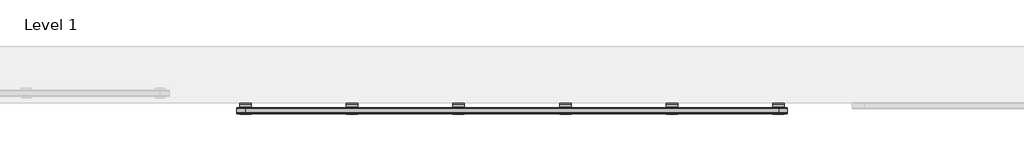
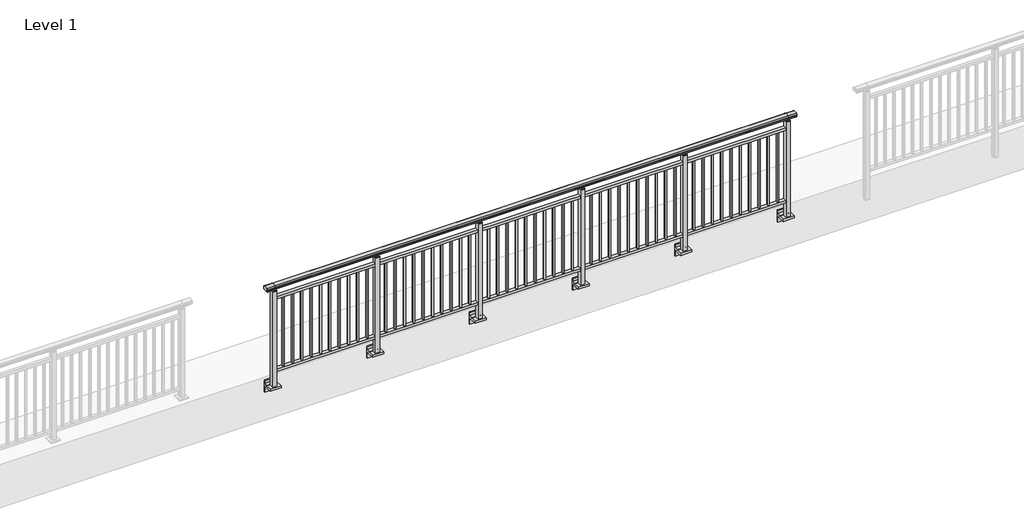
# One storey, part 2 of 64: 1 railing.
"""IFC4 building model written with IfcOpenShell, lengths in millimetres."""

from ifc_helpers import new_model, si_unit, point, frame, frame_2d, origin, place, context, project, spatial, polyline, circle_curve, trimmed, segment, composite_curve, outline, extrude, element, save
from ifc_brep_helpers import plane_surface, cylinder_surface, revolved_surface, advanced_brep

model = new_model("IFC4")

# Units and contexts
model_context = context("Model", 3, world=origin())
ifc_project = project(units=[si_unit("LENGTHUNIT", "METRE", prefix="MILLI")], contexts=[model_context])

# Site, building, storey
site = spatial("IfcSite", under=ifc_project)
building = spatial("IfcBuilding", under=site)
storey = spatial("IfcBuildingStorey", under=building, Name="Level 1", Elevation=0.0)

# Railing
placement = place(None, origin())
element("IfcRailing", 1, at=placement, inside=storey, context=model_context, shape_type="SolidModel", body=[
    advanced_brep(
    [(12910.0, -157.1366244, 1095.6691182), (12910.0, -152.3153172, 1081.1334092), (12910.0, -153.2586256, 1069.2539035), (12910.0, -151.3635823, 1061.4863007), (12910.0, -153.0105201, 1060.384124), (12910.0, -153.0105201, 1062.0), (12910.0, -211.6201142, 1062.0), (12910.0, -211.6201142, 1060.384124), (12910.0, -213.267052, 1061.4863007), (12910.0, -211.3720088, 1069.2539035), (12910.0, -212.3153172, 1081.1334092), (12910.0, -207.49401, 1095.6691182), (18690.0, -157.1366244, 1095.6691182), (18690.0, -207.49401, 1095.6691182), (18690.0, -212.3153172, 1081.1334092), (18690.0, -211.3720088, 1069.2539035), (18690.0, -213.267052, 1061.4863007), (18690.0, -211.6201142, 1060.384124), (18690.0, -211.6201142, 1062.0), (18690.0, -153.0105201, 1062.0), (18690.0, -153.0105201, 1060.384124), (18690.0, -151.3635823, 1061.4863007), (18690.0, -153.2586256, 1069.2539035), (18690.0, -152.3153172, 1081.1334092), (13000.0, -157.1366244, 1095.6691182), (13000.0, -152.3153172, 1081.1334092), (13000.0, -153.2586256, 1069.2539035), (13000.0, -151.3635823, 1061.4863007), (13000.0, -153.0105201, 1060.384124), (13000.0, -153.0105201, 1062.0), (13000.0, -211.6201142, 1062.0), (13000.0, -211.6201142, 1060.384124), (13000.0, -213.267052, 1061.4863007), (13000.0, -211.3720088, 1069.2539035), (13000.0, -212.3153172, 1081.1334092), (13000.0, -207.49401, 1095.6691182), (18600.0, -157.1366244, 1095.6691182), (18600.0, -152.3153172, 1081.1334092), (18600.0, -153.2586256, 1069.2539035), (18600.0, -151.3635823, 1061.4863007), (18600.0, -153.0105201, 1060.384124), (18600.0, -153.0105201, 1062.0), (18600.0, -211.6201142, 1062.0), (18600.0, -211.6201142, 1060.384124), (18600.0, -213.267052, 1061.4863007), (18600.0, -211.3720088, 1069.2539035), (18600.0, -212.3153172, 1081.1334092), (18600.0, -207.49401, 1095.6691182)],
    [
        (0, 1, circle_curve(frame((12910.0, -160.3776155, 1086.526686), z_axis=(-1.0, 0.0, 0.0), x_axis=(0.0, -1.0, 0.0)), 9.6999015)),
        (1, 2, circle_curve(frame((12910.0, -134.7747455, 1073.7633709), z_axis=(1.0, 0.0, 0.0), x_axis=(0.0, -1.0, 0.0)), 19.0260117)),
        (2, 3),
        (3, 4, circle_curve(frame((12910.0, -152.2227927, 1060.9886194), z_axis=(-1.0, 0.0, 0.0), x_axis=(0.0, -1.0, 0.0)), 0.9929396)),
        (4, 5),
        (5, 6),
        (6, 7),
        (7, 8, circle_curve(frame((12910.0, -212.4078416, 1060.9886194), z_axis=(-1.0, 0.0, 0.0), x_axis=(0.0, 1.0, 0.0)), 0.9929396)),
        (8, 9),
        (9, 10, circle_curve(frame((12910.0, -229.8558889, 1073.7633709), z_axis=(1.0, 0.0, 0.0), x_axis=(0.0, 1.0, 0.0)), 19.0260117)),
        (10, 11, circle_curve(frame((12910.0, -204.2530188, 1086.526686), z_axis=(-1.0, 0.0, 0.0), x_axis=(0.0, 1.0, 0.0)), 9.6999015)),
        (11, 0, circle_curve(frame((12910.0, -182.3153172, 1024.6431628), z_axis=(-1.0, 0.0, 0.0), x_axis=(0.0, 1.0, 0.0)), 75.3568372)),
        (12, 13, circle_curve(frame((18690.0, -182.3153172, 1024.6431628), z_axis=(1.0, 0.0, 0.0), x_axis=(0.0, 1.0, 0.0)), 75.3568372)),
        (13, 14, circle_curve(frame((18690.0, -204.2530188, 1086.526686), z_axis=(1.0, 0.0, 0.0), x_axis=(0.0, 1.0, 0.0)), 9.6999015)),
        (14, 15, circle_curve(frame((18690.0, -229.8558889, 1073.7633709), z_axis=(-1.0, 0.0, 0.0), x_axis=(0.0, 1.0, 0.0)), 19.0260117)),
        (15, 16),
        (16, 17, circle_curve(frame((18690.0, -212.4078416, 1060.9886194), z_axis=(1.0, 0.0, 0.0), x_axis=(0.0, 1.0, 0.0)), 0.9929396)),
        (17, 18),
        (18, 19),
        (19, 20),
        (20, 21, circle_curve(frame((18690.0, -152.2227927, 1060.9886194), z_axis=(1.0, 0.0, 0.0), x_axis=(0.0, -1.0, 0.0)), 0.9929396)),
        (21, 22),
        (22, 23, circle_curve(frame((18690.0, -134.7747455, 1073.7633709), z_axis=(-1.0, 0.0, 0.0), x_axis=(0.0, -1.0, 0.0)), 19.0260117)),
        (23, 12, circle_curve(frame((18690.0, -160.3776155, 1086.526686), z_axis=(1.0, 0.0, 0.0), x_axis=(0.0, -1.0, 0.0)), 9.6999015)),
        (0, 24),
        (24, 25, circle_curve(frame((13000.0, -160.3776155, 1086.526686), z_axis=(-1.0, 0.0, 0.0), x_axis=(0.0, -1.0, 0.0)), 9.6999015)),
        (25, 1),
        (25, 26, circle_curve(frame((13000.0, -134.7747455, 1073.7633709), z_axis=(1.0, 0.0, 0.0), x_axis=(0.0, -1.0, 0.0)), 19.0260117)),
        (26, 2),
        (26, 27),
        (27, 3),
        (27, 28, circle_curve(frame((13000.0, -152.2227927, 1060.9886194), z_axis=(-1.0, 0.0, 0.0), x_axis=(0.0, -1.0, 0.0)), 0.9929396)),
        (28, 4),
        (28, 29),
        (29, 5),
        (29, 30),
        (30, 6),
        (30, 31),
        (31, 7),
        (31, 32, circle_curve(frame((13000.0, -212.4078416, 1060.9886194), z_axis=(-1.0, 0.0, 0.0), x_axis=(0.0, 1.0, 0.0)), 0.9929396)),
        (32, 8),
        (32, 33),
        (33, 9),
        (33, 34, circle_curve(frame((13000.0, -229.8558889, 1073.7633709), z_axis=(1.0, 0.0, 0.0), x_axis=(0.0, 1.0, 0.0)), 19.0260117)),
        (34, 10),
        (34, 35, circle_curve(frame((13000.0, -204.2530188, 1086.526686), z_axis=(-1.0, 0.0, 0.0), x_axis=(0.0, 1.0, 0.0)), 9.6999015)),
        (35, 11),
        (35, 24, circle_curve(frame((13000.0, -182.3153172, 1024.6431628), z_axis=(-1.0, 0.0, 0.0), x_axis=(0.0, 1.0, 0.0)), 75.3568372)),
        (24, 36),
        (36, 37, circle_curve(frame((18600.0, -160.3776155, 1086.526686), z_axis=(-1.0, 0.0, 0.0), x_axis=(0.0, -1.0, 0.0)), 9.6999015)),
        (37, 25),
        (37, 38, circle_curve(frame((18600.0, -134.7747455, 1073.7633709), z_axis=(1.0, 0.0, 0.0), x_axis=(0.0, -1.0, 0.0)), 19.0260117)),
        (38, 26),
        (38, 39),
        (39, 27),
        (39, 40, circle_curve(frame((18600.0, -152.2227927, 1060.9886194), z_axis=(-1.0, 0.0, 0.0), x_axis=(0.0, -1.0, 0.0)), 0.9929396)),
        (40, 28),
        (40, 41),
        (41, 29),
        (41, 42),
        (42, 30),
        (42, 43),
        (43, 31),
        (43, 44, circle_curve(frame((18600.0, -212.4078416, 1060.9886194), z_axis=(-1.0, 0.0, 0.0), x_axis=(0.0, 1.0, 0.0)), 0.9929396)),
        (44, 32),
        (44, 45),
        (45, 33),
        (45, 46, circle_curve(frame((18600.0, -229.8558889, 1073.7633709), z_axis=(1.0, 0.0, 0.0), x_axis=(0.0, 1.0, 0.0)), 19.0260117)),
        (46, 34),
        (46, 47, circle_curve(frame((18600.0, -204.2530188, 1086.526686), z_axis=(-1.0, 0.0, 0.0), x_axis=(0.0, 1.0, 0.0)), 9.6999015)),
        (47, 35),
        (47, 36, circle_curve(frame((18600.0, -182.3153172, 1024.6431628), z_axis=(-1.0, 0.0, 0.0), x_axis=(0.0, 1.0, 0.0)), 75.3568372)),
        (36, 12),
        (23, 37),
        (22, 38),
        (21, 39),
        (20, 40),
        (19, 41),
        (18, 42),
        (17, 43),
        (16, 44),
        (15, 45),
        (14, 46),
        (13, 47),
    ],
    [
        plane_surface(frame((12910.0, -182.3153172, 1100.0), z_axis=(-1.0, 0.0, 0.0), x_axis=(0.0, 1.0, 0.0))),
        plane_surface(frame((18690.0, -182.3153172, 1100.0), z_axis=(1.0, 0.0, 0.0), x_axis=(0.0, 1.0, 0.0))),
        cylinder_surface(frame((12910.0, -160.3776155, 1086.526686), z_axis=(-1.0, 0.0, 0.0), x_axis=(0.0, -1.0, 0.0)), 9.6999015),
        revolved_surface(polyline([(13000.0, -153.8007572, 1073.7633709), (12910.0, -153.8007572, 1073.7633709)]), (12910.0, -134.7747455, 1073.7633709), (1.0, 0.0, 0.0)),
        plane_surface(frame((12910.0, -153.2586256, 1069.2539035), z_axis=(0.0, 0.9715057689301543, 0.2370159086125439), x_axis=(1.0, 0.0, 0.0))),
        cylinder_surface(frame((12910.0, -152.2227927, 1060.9886194), z_axis=(-1.0, 0.0, 0.0), x_axis=(0.0, -1.0, 0.0)), 0.9929396),
        plane_surface(frame((12910.0, -153.0105201, 1060.384124), z_axis=(0.0, -1.0, 0.0), x_axis=(1.0, 0.0, 0.0))),
        plane_surface(frame((12910.0, -153.0105201, 1062.0), z_axis=(0.0, 0.0, -1.0), x_axis=(1.0, 0.0, 0.0))),
        plane_surface(frame((12910.0, -211.6201142, 1062.0), z_axis=(0.0, 1.0, 0.0), x_axis=(1.0, 0.0, 0.0))),
        cylinder_surface(frame((12910.0, -212.4078416, 1060.9886194), z_axis=(-1.0, 0.0, 0.0), x_axis=(0.0, 1.0, 0.0)), 0.9929396),
        plane_surface(frame((12910.0, -213.267052, 1061.4863007), z_axis=(0.0, -0.9715057689301543, 0.2370159086125439), x_axis=(1.0, 0.0, 0.0))),
        revolved_surface(polyline([(13000.0, -210.8298772, 1073.7633709), (12910.0, -210.8298772, 1073.7633709)]), (12910.0, -229.8558889, 1073.7633709), (1.0, 0.0, 0.0)),
        cylinder_surface(frame((12910.0, -204.2530188, 1086.526686), z_axis=(-1.0, 0.0, 0.0), x_axis=(0.0, 1.0, 0.0)), 9.6999015),
        cylinder_surface(frame((12910.0, -182.3153172, 1024.6431628), z_axis=(-1.0, 0.0, 0.0), x_axis=(0.0, 1.0, 0.0)), 75.3568372),
        cylinder_surface(frame((13000.0, -160.3776155, 1086.526686), z_axis=(-1.0, 0.0, 0.0), x_axis=(0.0, -1.0, 0.0)), 9.6999015),
        revolved_surface(polyline([(18600.0, -153.8007572, 1073.7633709), (13000.0, -153.8007572, 1073.7633709)]), (13000.0, -134.7747455, 1073.7633709), (1.0, 0.0, 0.0)),
        plane_surface(frame((13000.0, -153.2586256, 1069.2539035), z_axis=(0.0, 0.9715057689301543, 0.2370159086125439), x_axis=(1.0, 0.0, 0.0))),
        cylinder_surface(frame((13000.0, -152.2227927, 1060.9886194), z_axis=(-1.0, 0.0, 0.0), x_axis=(0.0, -1.0, 0.0)), 0.9929396),
        plane_surface(frame((13000.0, -153.0105201, 1060.384124), z_axis=(0.0, -1.0, 0.0), x_axis=(1.0, 0.0, 0.0))),
        plane_surface(frame((13000.0, -153.0105201, 1062.0), z_axis=(0.0, 0.0, -1.0), x_axis=(1.0, 0.0, 0.0))),
        plane_surface(frame((13000.0, -211.6201142, 1062.0), z_axis=(0.0, 1.0, 0.0), x_axis=(1.0, 0.0, 0.0))),
        cylinder_surface(frame((13000.0, -212.4078416, 1060.9886194), z_axis=(-1.0, 0.0, 0.0), x_axis=(0.0, 1.0, 0.0)), 0.9929396),
        plane_surface(frame((13000.0, -213.267052, 1061.4863007), z_axis=(0.0, -0.9715057689301543, 0.2370159086125439), x_axis=(1.0, 0.0, 0.0))),
        revolved_surface(polyline([(18600.0, -210.8298772, 1073.7633709), (13000.0, -210.8298772, 1073.7633709)]), (13000.0, -229.8558889, 1073.7633709), (1.0, 0.0, 0.0)),
        cylinder_surface(frame((13000.0, -204.2530188, 1086.526686), z_axis=(-1.0, 0.0, 0.0), x_axis=(0.0, 1.0, 0.0)), 9.6999015),
        cylinder_surface(frame((13000.0, -182.3153172, 1024.6431628), z_axis=(-1.0, 0.0, 0.0), x_axis=(0.0, 1.0, 0.0)), 75.3568372),
        cylinder_surface(frame((18600.0, -160.3776155, 1086.526686), z_axis=(-1.0, 0.0, 0.0), x_axis=(0.0, -1.0, 0.0)), 9.6999015),
        revolved_surface(polyline([(18690.0, -153.8007572, 1073.7633709), (18600.0, -153.8007572, 1073.7633709)]), (18600.0, -134.7747455, 1073.7633709), (1.0, 0.0, 0.0)),
        plane_surface(frame((18600.0, -153.2586256, 1069.2539035), z_axis=(0.0, 0.9715057689301543, 0.2370159086125439), x_axis=(1.0, 0.0, 0.0))),
        cylinder_surface(frame((18600.0, -152.2227927, 1060.9886194), z_axis=(-1.0, 0.0, 0.0), x_axis=(0.0, -1.0, 0.0)), 0.9929396),
        plane_surface(frame((18600.0, -153.0105201, 1060.384124), z_axis=(0.0, -1.0, 0.0), x_axis=(1.0, 0.0, 0.0))),
        plane_surface(frame((18600.0, -153.0105201, 1062.0), z_axis=(0.0, 0.0, -1.0), x_axis=(1.0, 0.0, 0.0))),
        plane_surface(frame((18600.0, -211.6201142, 1062.0), z_axis=(0.0, 1.0, 0.0), x_axis=(1.0, 0.0, 0.0))),
        cylinder_surface(frame((18600.0, -212.4078416, 1060.9886194), z_axis=(-1.0, 0.0, 0.0), x_axis=(0.0, 1.0, 0.0)), 0.9929396),
        plane_surface(frame((18600.0, -213.267052, 1061.4863007), z_axis=(0.0, -0.9715057689301543, 0.2370159086125439), x_axis=(1.0, 0.0, 0.0))),
        revolved_surface(polyline([(18690.0, -210.8298772, 1073.7633709), (18600.0, -210.8298772, 1073.7633709)]), (18600.0, -229.8558889, 1073.7633709), (1.0, 0.0, 0.0)),
        cylinder_surface(frame((18600.0, -204.2530188, 1086.526686), z_axis=(-1.0, 0.0, 0.0), x_axis=(0.0, 1.0, 0.0)), 9.6999015),
        cylinder_surface(frame((18600.0, -182.3153172, 1024.6431628), z_axis=(-1.0, 0.0, 0.0), x_axis=(0.0, 1.0, 0.0)), 75.3568372),
    ],
    [
        (0, [[1, 2, 3, 4, 5, 6, 7, 8, 9, 10, 11, 12]]),
        (1, [[13, 14, 15, 16, 17, 18, 19, 20, 21, 22, 23, 24]]),
        (2, [[-1, 25, 26, 27]]),
        (3, [[-2, -27, 28, 29]]),
        (4, [[-3, -29, 30, 31]]),
        (5, [[-4, -31, 32, 33]]),
        (6, [[-5, -33, 34, 35]]),
        (7, [[-6, -35, 36, 37]]),
        (8, [[-7, -37, 38, 39]]),
        (9, [[-8, -39, 40, 41]]),
        (10, [[-9, -41, 42, 43]]),
        (11, [[-10, -43, 44, 45]]),
        (12, [[-11, -45, 46, 47]]),
        (13, [[-12, -47, 48, -25]]),
        (14, [[-26, 49, 50, 51]]),
        (15, [[-28, -51, 52, 53]]),
        (16, [[-30, -53, 54, 55]]),
        (17, [[-32, -55, 56, 57]]),
        (18, [[-34, -57, 58, 59]]),
        (19, [[-36, -59, 60, 61]]),
        (20, [[-38, -61, 62, 63]]),
        (21, [[-40, -63, 64, 65]]),
        (22, [[-42, -65, 66, 67]]),
        (23, [[-44, -67, 68, 69]]),
        (24, [[-46, -69, 70, 71]]),
        (25, [[-48, -71, 72, -49]]),
        (26, [[-50, 73, -24, 74]]),
        (27, [[-52, -74, -23, 75]]),
        (28, [[-54, -75, -22, 76]]),
        (29, [[-56, -76, -21, 77]]),
        (30, [[-58, -77, -20, 78]]),
        (31, [[-60, -78, -19, 79]]),
        (32, [[-62, -79, -18, 80]]),
        (33, [[-64, -80, -17, 81]]),
        (34, [[-66, -81, -16, 82]]),
        (35, [[-68, -82, -15, 83]]),
        (36, [[-70, -83, -14, 84]]),
        (37, [[-72, -84, -13, -73]]),
    ],
),
    extrude(outline(polyline([(13000.0, -199.8153172), (13000.0, -164.8153172), (18600.0, -164.8153172), (18600.0, -199.8153172), (13000.0, -199.8153172)])), frame((0.0, 0.0, 930.0), z_axis=(0.0, 0.0, 1.0), x_axis=(1.0, 0.0, 0.0)), (0.0, 0.0, 1.0), 30.0),
    extrude(outline(polyline([(13000.0, -199.8153172), (13000.0, -164.8153172), (18600.0, -164.8153172), (18600.0, -199.8153172), (13000.0, -199.8153172)])), frame((0.0, 0.0, 95.0), z_axis=(0.0, 0.0, 1.0), x_axis=(1.0, 0.0, 0.0)), (0.0, 0.0, 1.0), 30.0),
    extrude(outline(polyline([(18506.6818182, -190.8153172), (18489.6818182, -190.8153172), (18489.6818182, -173.8153172), (18506.6818182, -173.8153172), (18506.6818182, -190.8153172)])), frame((0.0, 0.0, 125.0), z_axis=(0.0, 0.0, 1.0), x_axis=(1.0, 0.0, 0.0)), (0.0, 0.0, 1.0), 805.0),
    extrude(outline(polyline([(18404.8636364, -190.8153172), (18387.8636364, -190.8153172), (18387.8636364, -173.8153172), (18404.8636364, -173.8153172), (18404.8636364, -190.8153172)])), frame((0.0, 0.0, 125.0), z_axis=(0.0, 0.0, 1.0), x_axis=(1.0, 0.0, 0.0)), (0.0, 0.0, 1.0), 805.0),
    extrude(outline(polyline([(18303.0454545, -190.8153172), (18286.0454545, -190.8153172), (18286.0454545, -173.8153172), (18303.0454545, -173.8153172), (18303.0454545, -190.8153172)])), frame((0.0, 0.0, 125.0), z_axis=(0.0, 0.0, 1.0), x_axis=(1.0, 0.0, 0.0)), (0.0, 0.0, 1.0), 805.0),
    extrude(outline(polyline([(18201.2272727, -190.8153172), (18184.2272727, -190.8153172), (18184.2272727, -173.8153172), (18201.2272727, -173.8153172), (18201.2272727, -190.8153172)])), frame((0.0, 0.0, 125.0), z_axis=(0.0, 0.0, 1.0), x_axis=(1.0, 0.0, 0.0)), (0.0, 0.0, 1.0), 805.0),
    extrude(outline(polyline([(18099.4090909, -190.8153172), (18082.4090909, -190.8153172), (18082.4090909, -173.8153172), (18099.4090909, -173.8153172), (18099.4090909, -190.8153172)])), frame((0.0, 0.0, 125.0), z_axis=(0.0, 0.0, 1.0), x_axis=(1.0, 0.0, 0.0)), (0.0, 0.0, 1.0), 805.0),
    extrude(outline(polyline([(17997.5909091, -190.8153172), (17980.5909091, -190.8153172), (17980.5909091, -173.8153172), (17997.5909091, -173.8153172), (17997.5909091, -190.8153172)])), frame((0.0, 0.0, 125.0), z_axis=(0.0, 0.0, 1.0), x_axis=(1.0, 0.0, 0.0)), (0.0, 0.0, 1.0), 805.0),
    extrude(outline(polyline([(17895.7727273, -190.8153172), (17878.7727273, -190.8153172), (17878.7727273, -173.8153172), (17895.7727273, -173.8153172), (17895.7727273, -190.8153172)])), frame((0.0, 0.0, 125.0), z_axis=(0.0, 0.0, 1.0), x_axis=(1.0, 0.0, 0.0)), (0.0, 0.0, 1.0), 805.0),
    extrude(outline(polyline([(17793.9545455, -190.8153172), (17776.9545455, -190.8153172), (17776.9545455, -173.8153172), (17793.9545455, -173.8153172), (17793.9545455, -190.8153172)])), frame((0.0, 0.0, 125.0), z_axis=(0.0, 0.0, 1.0), x_axis=(1.0, 0.0, 0.0)), (0.0, 0.0, 1.0), 805.0),
    extrude(outline(polyline([(17692.1363636, -190.8153172), (17675.1363636, -190.8153172), (17675.1363636, -173.8153172), (17692.1363636, -173.8153172), (17692.1363636, -190.8153172)])), frame((0.0, 0.0, 125.0), z_axis=(0.0, 0.0, 1.0), x_axis=(1.0, 0.0, 0.0)), (0.0, 0.0, 1.0), 805.0),
    extrude(outline(polyline([(17590.3181818, -190.8153172), (17573.3181818, -190.8153172), (17573.3181818, -173.8153172), (17590.3181818, -173.8153172), (17590.3181818, -190.8153172)])), frame((0.0, 0.0, 125.0), z_axis=(0.0, 0.0, 1.0), x_axis=(1.0, 0.0, 0.0)), (0.0, 0.0, 1.0), 805.0),
    extrude(outline(composite_curve([segment(polyline([(-149.8153172, -70.0), (-115.8153172, -63.0), (-115.8153172, -32.5), (-99.8153172, -32.5), (-99.8153172, -167.5), (-115.8153172, -167.5), (-115.8153172, -113.5)]), True, "CONTINUOUS"), segment(trimmed(circle_curve(frame_2d((-135.8153172, -113.5)), 20.0), [point((-115.8153172, -113.5))], [point((-135.8153172, -93.5))], True, "CARTESIAN"), True, "CONTINUOUS"), segment(polyline([(-135.8153172, -93.5), (-219.8153172, -93.5), (-219.8153172, -70.0), (-149.8153172, -70.0)]), True, "CONTINUOUS")], self_intersect=False)), frame((17420.0, 0.0, 0.0), z_axis=(1.0, 0.0, 0.0), x_axis=(0.0, 1.0, 0.0)), (0.0, 0.0, 1.0), 120.0),
    extrude(outline(polyline([(17502.5, -159.8153172), (17502.5, -204.8153172), (17457.5, -204.8153172), (17457.5, -159.8153172), (17502.5, -159.8153172)])), frame((0.0, 0.0, -70.0), z_axis=(0.0, 0.0, 1.0), x_axis=(1.0, 0.0, 0.0)), (0.0, 0.0, 1.0), 1097.0),
    extrude(outline(polyline([(17490.0, -172.3153172), (17490.0, -192.3153172), (17470.0, -192.3153172), (17470.0, -172.3153172), (17490.0, -172.3153172)])), frame((0.0, 0.0, 1035.0), z_axis=(0.0, 0.0, 1.0), x_axis=(1.0, 0.0, 0.0)), (0.0, 0.0, 1.0), 20.0),
    extrude(outline(polyline([(17502.5, -159.8153172), (17502.5, -204.8153172), (17457.5, -204.8153172), (17457.5, -159.8153172), (17502.5, -159.8153172)])), frame((0.0, 0.0, 1027.0), z_axis=(0.0, 0.0, 1.0), x_axis=(1.0, 0.0, 0.0)), (0.0, 0.0, 1.0), 8.0),
    extrude(outline(polyline([(17386.6818182, -190.8153172), (17369.6818182, -190.8153172), (17369.6818182, -173.8153172), (17386.6818182, -173.8153172), (17386.6818182, -190.8153172)])), frame((0.0, 0.0, 125.0), z_axis=(0.0, 0.0, 1.0), x_axis=(1.0, 0.0, 0.0)), (0.0, 0.0, 1.0), 805.0),
    extrude(outline(polyline([(17284.8636364, -190.8153172), (17267.8636364, -190.8153172), (17267.8636364, -173.8153172), (17284.8636364, -173.8153172), (17284.8636364, -190.8153172)])), frame((0.0, 0.0, 125.0), z_axis=(0.0, 0.0, 1.0), x_axis=(1.0, 0.0, 0.0)), (0.0, 0.0, 1.0), 805.0),
    extrude(outline(polyline([(17183.0454545, -190.8153172), (17166.0454545, -190.8153172), (17166.0454545, -173.8153172), (17183.0454545, -173.8153172), (17183.0454545, -190.8153172)])), frame((0.0, 0.0, 125.0), z_axis=(0.0, 0.0, 1.0), x_axis=(1.0, 0.0, 0.0)), (0.0, 0.0, 1.0), 805.0),
    extrude(outline(polyline([(17081.2272727, -190.8153172), (17064.2272727, -190.8153172), (17064.2272727, -173.8153172), (17081.2272727, -173.8153172), (17081.2272727, -190.8153172)])), frame((0.0, 0.0, 125.0), z_axis=(0.0, 0.0, 1.0), x_axis=(1.0, 0.0, 0.0)), (0.0, 0.0, 1.0), 805.0),
    extrude(outline(polyline([(16979.4090909, -190.8153172), (16962.4090909, -190.8153172), (16962.4090909, -173.8153172), (16979.4090909, -173.8153172), (16979.4090909, -190.8153172)])), frame((0.0, 0.0, 125.0), z_axis=(0.0, 0.0, 1.0), x_axis=(1.0, 0.0, 0.0)), (0.0, 0.0, 1.0), 805.0),
    extrude(outline(polyline([(16877.5909091, -190.8153172), (16860.5909091, -190.8153172), (16860.5909091, -173.8153172), (16877.5909091, -173.8153172), (16877.5909091, -190.8153172)])), frame((0.0, 0.0, 125.0), z_axis=(0.0, 0.0, 1.0), x_axis=(1.0, 0.0, 0.0)), (0.0, 0.0, 1.0), 805.0),
    extrude(outline(polyline([(16775.7727273, -190.8153172), (16758.7727273, -190.8153172), (16758.7727273, -173.8153172), (16775.7727273, -173.8153172), (16775.7727273, -190.8153172)])), frame((0.0, 0.0, 125.0), z_axis=(0.0, 0.0, 1.0), x_axis=(1.0, 0.0, 0.0)), (0.0, 0.0, 1.0), 805.0),
    extrude(outline(polyline([(16673.9545455, -190.8153172), (16656.9545455, -190.8153172), (16656.9545455, -173.8153172), (16673.9545455, -173.8153172), (16673.9545455, -190.8153172)])), frame((0.0, 0.0, 125.0), z_axis=(0.0, 0.0, 1.0), x_axis=(1.0, 0.0, 0.0)), (0.0, 0.0, 1.0), 805.0),
    extrude(outline(polyline([(16572.1363636, -190.8153172), (16555.1363636, -190.8153172), (16555.1363636, -173.8153172), (16572.1363636, -173.8153172), (16572.1363636, -190.8153172)])), frame((0.0, 0.0, 125.0), z_axis=(0.0, 0.0, 1.0), x_axis=(1.0, 0.0, 0.0)), (0.0, 0.0, 1.0), 805.0),
    extrude(outline(polyline([(16470.3181818, -190.8153172), (16453.3181818, -190.8153172), (16453.3181818, -173.8153172), (16470.3181818, -173.8153172), (16470.3181818, -190.8153172)])), frame((0.0, 0.0, 125.0), z_axis=(0.0, 0.0, 1.0), x_axis=(1.0, 0.0, 0.0)), (0.0, 0.0, 1.0), 805.0),
    extrude(outline(composite_curve([segment(polyline([(-149.8153172, -70.0), (-115.8153172, -63.0), (-115.8153172, -32.5), (-99.8153172, -32.5), (-99.8153172, -167.5), (-115.8153172, -167.5), (-115.8153172, -113.5)]), True, "CONTINUOUS"), segment(trimmed(circle_curve(frame_2d((-135.8153172, -113.5)), 20.0), [point((-115.8153172, -113.5))], [point((-135.8153172, -93.5))], True, "CARTESIAN"), True, "CONTINUOUS"), segment(polyline([(-135.8153172, -93.5), (-219.8153172, -93.5), (-219.8153172, -70.0), (-149.8153172, -70.0)]), True, "CONTINUOUS")], self_intersect=False)), frame((16300.0, 0.0, 0.0), z_axis=(1.0, 0.0, 0.0), x_axis=(0.0, 1.0, 0.0)), (0.0, 0.0, 1.0), 120.0),
    extrude(outline(polyline([(16382.5, -159.8153172), (16382.5, -204.8153172), (16337.5, -204.8153172), (16337.5, -159.8153172), (16382.5, -159.8153172)])), frame((0.0, 0.0, -70.0), z_axis=(0.0, 0.0, 1.0), x_axis=(1.0, 0.0, 0.0)), (0.0, 0.0, 1.0), 1097.0),
    extrude(outline(polyline([(16370.0, -172.3153172), (16370.0, -192.3153172), (16350.0, -192.3153172), (16350.0, -172.3153172), (16370.0, -172.3153172)])), frame((0.0, 0.0, 1035.0), z_axis=(0.0, 0.0, 1.0), x_axis=(1.0, 0.0, 0.0)), (0.0, 0.0, 1.0), 20.0),
    extrude(outline(polyline([(16382.5, -159.8153172), (16382.5, -204.8153172), (16337.5, -204.8153172), (16337.5, -159.8153172), (16382.5, -159.8153172)])), frame((0.0, 0.0, 1027.0), z_axis=(0.0, 0.0, 1.0), x_axis=(1.0, 0.0, 0.0)), (0.0, 0.0, 1.0), 8.0),
    extrude(outline(polyline([(16266.6818182, -190.8153172), (16249.6818182, -190.8153172), (16249.6818182, -173.8153172), (16266.6818182, -173.8153172), (16266.6818182, -190.8153172)])), frame((0.0, 0.0, 125.0), z_axis=(0.0, 0.0, 1.0), x_axis=(1.0, 0.0, 0.0)), (0.0, 0.0, 1.0), 805.0),
    extrude(outline(polyline([(16164.8636364, -190.8153172), (16147.8636364, -190.8153172), (16147.8636364, -173.8153172), (16164.8636364, -173.8153172), (16164.8636364, -190.8153172)])), frame((0.0, 0.0, 125.0), z_axis=(0.0, 0.0, 1.0), x_axis=(1.0, 0.0, 0.0)), (0.0, 0.0, 1.0), 805.0),
    extrude(outline(polyline([(16063.0454545, -190.8153172), (16046.0454545, -190.8153172), (16046.0454545, -173.8153172), (16063.0454545, -173.8153172), (16063.0454545, -190.8153172)])), frame((0.0, 0.0, 125.0), z_axis=(0.0, 0.0, 1.0), x_axis=(1.0, 0.0, 0.0)), (0.0, 0.0, 1.0), 805.0),
    extrude(outline(polyline([(15961.2272727, -190.8153172), (15944.2272727, -190.8153172), (15944.2272727, -173.8153172), (15961.2272727, -173.8153172), (15961.2272727, -190.8153172)])), frame((0.0, 0.0, 125.0), z_axis=(0.0, 0.0, 1.0), x_axis=(1.0, 0.0, 0.0)), (0.0, 0.0, 1.0), 805.0),
    extrude(outline(polyline([(15859.4090909, -190.8153172), (15842.4090909, -190.8153172), (15842.4090909, -173.8153172), (15859.4090909, -173.8153172), (15859.4090909, -190.8153172)])), frame((0.0, 0.0, 125.0), z_axis=(0.0, 0.0, 1.0), x_axis=(1.0, 0.0, 0.0)), (0.0, 0.0, 1.0), 805.0),
    extrude(outline(polyline([(15757.5909091, -190.8153172), (15740.5909091, -190.8153172), (15740.5909091, -173.8153172), (15757.5909091, -173.8153172), (15757.5909091, -190.8153172)])), frame((0.0, 0.0, 125.0), z_axis=(0.0, 0.0, 1.0), x_axis=(1.0, 0.0, 0.0)), (0.0, 0.0, 1.0), 805.0),
    extrude(outline(polyline([(15655.7727273, -190.8153172), (15638.7727273, -190.8153172), (15638.7727273, -173.8153172), (15655.7727273, -173.8153172), (15655.7727273, -190.8153172)])), frame((0.0, 0.0, 125.0), z_axis=(0.0, 0.0, 1.0), x_axis=(1.0, 0.0, 0.0)), (0.0, 0.0, 1.0), 805.0),
    extrude(outline(polyline([(15553.9545455, -190.8153172), (15536.9545455, -190.8153172), (15536.9545455, -173.8153172), (15553.9545455, -173.8153172), (15553.9545455, -190.8153172)])), frame((0.0, 0.0, 125.0), z_axis=(0.0, 0.0, 1.0), x_axis=(1.0, 0.0, 0.0)), (0.0, 0.0, 1.0), 805.0),
    extrude(outline(polyline([(15452.1363636, -190.8153172), (15435.1363636, -190.8153172), (15435.1363636, -173.8153172), (15452.1363636, -173.8153172), (15452.1363636, -190.8153172)])), frame((0.0, 0.0, 125.0), z_axis=(0.0, 0.0, 1.0), x_axis=(1.0, 0.0, 0.0)), (0.0, 0.0, 1.0), 805.0),
    extrude(outline(polyline([(15350.3181818, -190.8153172), (15333.3181818, -190.8153172), (15333.3181818, -173.8153172), (15350.3181818, -173.8153172), (15350.3181818, -190.8153172)])), frame((0.0, 0.0, 125.0), z_axis=(0.0, 0.0, 1.0), x_axis=(1.0, 0.0, 0.0)), (0.0, 0.0, 1.0), 805.0),
    extrude(outline(composite_curve([segment(polyline([(-149.8153172, -70.0), (-115.8153172, -63.0), (-115.8153172, -32.5), (-99.8153172, -32.5), (-99.8153172, -167.5), (-115.8153172, -167.5), (-115.8153172, -113.5)]), True, "CONTINUOUS"), segment(trimmed(circle_curve(frame_2d((-135.8153172, -113.5)), 20.0), [point((-115.8153172, -113.5))], [point((-135.8153172, -93.5))], True, "CARTESIAN"), True, "CONTINUOUS"), segment(polyline([(-135.8153172, -93.5), (-219.8153172, -93.5), (-219.8153172, -70.0), (-149.8153172, -70.0)]), True, "CONTINUOUS")], self_intersect=False)), frame((15180.0, 0.0, 0.0), z_axis=(1.0, 0.0, 0.0), x_axis=(0.0, 1.0, 0.0)), (0.0, 0.0, 1.0), 120.0),
    extrude(outline(polyline([(15262.5, -159.8153172), (15262.5, -204.8153172), (15217.5, -204.8153172), (15217.5, -159.8153172), (15262.5, -159.8153172)])), frame((0.0, 0.0, -70.0), z_axis=(0.0, 0.0, 1.0), x_axis=(1.0, 0.0, 0.0)), (0.0, 0.0, 1.0), 1097.0),
    extrude(outline(polyline([(15250.0, -172.3153172), (15250.0, -192.3153172), (15230.0, -192.3153172), (15230.0, -172.3153172), (15250.0, -172.3153172)])), frame((0.0, 0.0, 1035.0), z_axis=(0.0, 0.0, 1.0), x_axis=(1.0, 0.0, 0.0)), (0.0, 0.0, 1.0), 20.0),
    extrude(outline(polyline([(15262.5, -159.8153172), (15262.5, -204.8153172), (15217.5, -204.8153172), (15217.5, -159.8153172), (15262.5, -159.8153172)])), frame((0.0, 0.0, 1027.0), z_axis=(0.0, 0.0, 1.0), x_axis=(1.0, 0.0, 0.0)), (0.0, 0.0, 1.0), 8.0),
    extrude(outline(polyline([(15146.6818182, -190.8153172), (15129.6818182, -190.8153172), (15129.6818182, -173.8153172), (15146.6818182, -173.8153172), (15146.6818182, -190.8153172)])), frame((0.0, 0.0, 125.0), z_axis=(0.0, 0.0, 1.0), x_axis=(1.0, 0.0, 0.0)), (0.0, 0.0, 1.0), 805.0),
    extrude(outline(polyline([(15044.8636364, -190.8153172), (15027.8636364, -190.8153172), (15027.8636364, -173.8153172), (15044.8636364, -173.8153172), (15044.8636364, -190.8153172)])), frame((0.0, 0.0, 125.0), z_axis=(0.0, 0.0, 1.0), x_axis=(1.0, 0.0, 0.0)), (0.0, 0.0, 1.0), 805.0),
    extrude(outline(polyline([(14943.0454545, -190.8153172), (14926.0454545, -190.8153172), (14926.0454545, -173.8153172), (14943.0454545, -173.8153172), (14943.0454545, -190.8153172)])), frame((0.0, 0.0, 125.0), z_axis=(0.0, 0.0, 1.0), x_axis=(1.0, 0.0, 0.0)), (0.0, 0.0, 1.0), 805.0),
    extrude(outline(polyline([(14841.2272727, -190.8153172), (14824.2272727, -190.8153172), (14824.2272727, -173.8153172), (14841.2272727, -173.8153172), (14841.2272727, -190.8153172)])), frame((0.0, 0.0, 125.0), z_axis=(0.0, 0.0, 1.0), x_axis=(1.0, 0.0, 0.0)), (0.0, 0.0, 1.0), 805.0),
    extrude(outline(polyline([(14739.4090909, -190.8153172), (14722.4090909, -190.8153172), (14722.4090909, -173.8153172), (14739.4090909, -173.8153172), (14739.4090909, -190.8153172)])), frame((0.0, 0.0, 125.0), z_axis=(0.0, 0.0, 1.0), x_axis=(1.0, 0.0, 0.0)), (0.0, 0.0, 1.0), 805.0),
    extrude(outline(polyline([(14637.5909091, -190.8153172), (14620.5909091, -190.8153172), (14620.5909091, -173.8153172), (14637.5909091, -173.8153172), (14637.5909091, -190.8153172)])), frame((0.0, 0.0, 125.0), z_axis=(0.0, 0.0, 1.0), x_axis=(1.0, 0.0, 0.0)), (0.0, 0.0, 1.0), 805.0),
    extrude(outline(polyline([(14535.7727273, -190.8153172), (14518.7727273, -190.8153172), (14518.7727273, -173.8153172), (14535.7727273, -173.8153172), (14535.7727273, -190.8153172)])), frame((0.0, 0.0, 125.0), z_axis=(0.0, 0.0, 1.0), x_axis=(1.0, 0.0, 0.0)), (0.0, 0.0, 1.0), 805.0),
    extrude(outline(polyline([(14433.9545455, -190.8153172), (14416.9545455, -190.8153172), (14416.9545455, -173.8153172), (14433.9545455, -173.8153172), (14433.9545455, -190.8153172)])), frame((0.0, 0.0, 125.0), z_axis=(0.0, 0.0, 1.0), x_axis=(1.0, 0.0, 0.0)), (0.0, 0.0, 1.0), 805.0),
    extrude(outline(polyline([(14332.1363636, -190.8153172), (14315.1363636, -190.8153172), (14315.1363636, -173.8153172), (14332.1363636, -173.8153172), (14332.1363636, -190.8153172)])), frame((0.0, 0.0, 125.0), z_axis=(0.0, 0.0, 1.0), x_axis=(1.0, 0.0, 0.0)), (0.0, 0.0, 1.0), 805.0),
    extrude(outline(polyline([(14230.3181818, -190.8153172), (14213.3181818, -190.8153172), (14213.3181818, -173.8153172), (14230.3181818, -173.8153172), (14230.3181818, -190.8153172)])), frame((0.0, 0.0, 125.0), z_axis=(0.0, 0.0, 1.0), x_axis=(1.0, 0.0, 0.0)), (0.0, 0.0, 1.0), 805.0),
    extrude(outline(composite_curve([segment(polyline([(-149.8153172, -70.0), (-115.8153172, -63.0), (-115.8153172, -32.5), (-99.8153172, -32.5), (-99.8153172, -167.5), (-115.8153172, -167.5), (-115.8153172, -113.5)]), True, "CONTINUOUS"), segment(trimmed(circle_curve(frame_2d((-135.8153172, -113.5)), 20.0), [point((-115.8153172, -113.5))], [point((-135.8153172, -93.5))], True, "CARTESIAN"), True, "CONTINUOUS"), segment(polyline([(-135.8153172, -93.5), (-219.8153172, -93.5), (-219.8153172, -70.0), (-149.8153172, -70.0)]), True, "CONTINUOUS")], self_intersect=False)), frame((14060.0, 0.0, 0.0), z_axis=(1.0, 0.0, 0.0), x_axis=(0.0, 1.0, 0.0)), (0.0, 0.0, 1.0), 120.0),
    extrude(outline(polyline([(14142.5, -159.8153172), (14142.5, -204.8153172), (14097.5, -204.8153172), (14097.5, -159.8153172), (14142.5, -159.8153172)])), frame((0.0, 0.0, -70.0), z_axis=(0.0, 0.0, 1.0), x_axis=(1.0, 0.0, 0.0)), (0.0, 0.0, 1.0), 1097.0),
    extrude(outline(polyline([(14130.0, -172.3153172), (14130.0, -192.3153172), (14110.0, -192.3153172), (14110.0, -172.3153172), (14130.0, -172.3153172)])), frame((0.0, 0.0, 1035.0), z_axis=(0.0, 0.0, 1.0), x_axis=(1.0, 0.0, 0.0)), (0.0, 0.0, 1.0), 20.0),
    extrude(outline(polyline([(14142.5, -159.8153172), (14142.5, -204.8153172), (14097.5, -204.8153172), (14097.5, -159.8153172), (14142.5, -159.8153172)])), frame((0.0, 0.0, 1027.0), z_axis=(0.0, 0.0, 1.0), x_axis=(1.0, 0.0, 0.0)), (0.0, 0.0, 1.0), 8.0),
    extrude(outline(polyline([(14026.6818182, -190.8153172), (14009.6818182, -190.8153172), (14009.6818182, -173.8153172), (14026.6818182, -173.8153172), (14026.6818182, -190.8153172)])), frame((0.0, 0.0, 125.0), z_axis=(0.0, 0.0, 1.0), x_axis=(1.0, 0.0, 0.0)), (0.0, 0.0, 1.0), 805.0),
    extrude(outline(polyline([(13924.8636364, -190.8153172), (13907.8636364, -190.8153172), (13907.8636364, -173.8153172), (13924.8636364, -173.8153172), (13924.8636364, -190.8153172)])), frame((0.0, 0.0, 125.0), z_axis=(0.0, 0.0, 1.0), x_axis=(1.0, 0.0, 0.0)), (0.0, 0.0, 1.0), 805.0),
    extrude(outline(polyline([(13823.0454545, -190.8153172), (13806.0454545, -190.8153172), (13806.0454545, -173.8153172), (13823.0454545, -173.8153172), (13823.0454545, -190.8153172)])), frame((0.0, 0.0, 125.0), z_axis=(0.0, 0.0, 1.0), x_axis=(1.0, 0.0, 0.0)), (0.0, 0.0, 1.0), 805.0),
    extrude(outline(polyline([(13721.2272727, -190.8153172), (13704.2272727, -190.8153172), (13704.2272727, -173.8153172), (13721.2272727, -173.8153172), (13721.2272727, -190.8153172)])), frame((0.0, 0.0, 125.0), z_axis=(0.0, 0.0, 1.0), x_axis=(1.0, 0.0, 0.0)), (0.0, 0.0, 1.0), 805.0),
    extrude(outline(polyline([(13619.4090909, -190.8153172), (13602.4090909, -190.8153172), (13602.4090909, -173.8153172), (13619.4090909, -173.8153172), (13619.4090909, -190.8153172)])), frame((0.0, 0.0, 125.0), z_axis=(0.0, 0.0, 1.0), x_axis=(1.0, 0.0, 0.0)), (0.0, 0.0, 1.0), 805.0),
    extrude(outline(polyline([(13517.5909091, -190.8153172), (13500.5909091, -190.8153172), (13500.5909091, -173.8153172), (13517.5909091, -173.8153172), (13517.5909091, -190.8153172)])), frame((0.0, 0.0, 125.0), z_axis=(0.0, 0.0, 1.0), x_axis=(1.0, 0.0, 0.0)), (0.0, 0.0, 1.0), 805.0),
    extrude(outline(polyline([(13415.7727273, -190.8153172), (13398.7727273, -190.8153172), (13398.7727273, -173.8153172), (13415.7727273, -173.8153172), (13415.7727273, -190.8153172)])), frame((0.0, 0.0, 125.0), z_axis=(0.0, 0.0, 1.0), x_axis=(1.0, 0.0, 0.0)), (0.0, 0.0, 1.0), 805.0),
    extrude(outline(polyline([(13313.9545455, -190.8153172), (13296.9545455, -190.8153172), (13296.9545455, -173.8153172), (13313.9545455, -173.8153172), (13313.9545455, -190.8153172)])), frame((0.0, 0.0, 125.0), z_axis=(0.0, 0.0, 1.0), x_axis=(1.0, 0.0, 0.0)), (0.0, 0.0, 1.0), 805.0),
    extrude(outline(polyline([(13212.1363636, -190.8153172), (13195.1363636, -190.8153172), (13195.1363636, -173.8153172), (13212.1363636, -173.8153172), (13212.1363636, -190.8153172)])), frame((0.0, 0.0, 125.0), z_axis=(0.0, 0.0, 1.0), x_axis=(1.0, 0.0, 0.0)), (0.0, 0.0, 1.0), 805.0),
    extrude(outline(polyline([(13110.3181818, -190.8153172), (13093.3181818, -190.8153172), (13093.3181818, -173.8153172), (13110.3181818, -173.8153172), (13110.3181818, -190.8153172)])), frame((0.0, 0.0, 125.0), z_axis=(0.0, 0.0, 1.0), x_axis=(1.0, 0.0, 0.0)), (0.0, 0.0, 1.0), 805.0),
    extrude(outline(composite_curve([segment(polyline([(-149.8153172, -70.0), (-115.8153172, -63.0), (-115.8153172, -32.5), (-99.8153172, -32.5), (-99.8153172, -167.5), (-115.8153172, -167.5), (-115.8153172, -113.5)]), True, "CONTINUOUS"), segment(trimmed(circle_curve(frame_2d((-135.8153172, -113.5)), 20.0), [point((-115.8153172, -113.5))], [point((-135.8153172, -93.5))], True, "CARTESIAN"), True, "CONTINUOUS"), segment(polyline([(-135.8153172, -93.5), (-219.8153172, -93.5), (-219.8153172, -70.0), (-149.8153172, -70.0)]), True, "CONTINUOUS")], self_intersect=False)), frame((18540.0, 0.0, 0.0), z_axis=(1.0, 0.0, 0.0), x_axis=(0.0, 1.0, 0.0)), (0.0, 0.0, 1.0), 120.0),
    extrude(outline(polyline([(18622.5, -159.8153172), (18622.5, -204.8153172), (18577.5, -204.8153172), (18577.5, -159.8153172), (18622.5, -159.8153172)])), frame((0.0, 0.0, -70.0), z_axis=(0.0, 0.0, 1.0), x_axis=(1.0, 0.0, 0.0)), (0.0, 0.0, 1.0), 1097.0),
    extrude(outline(polyline([(18610.0, -172.3153172), (18610.0, -192.3153172), (18590.0, -192.3153172), (18590.0, -172.3153172), (18610.0, -172.3153172)])), frame((0.0, 0.0, 1035.0), z_axis=(0.0, 0.0, 1.0), x_axis=(1.0, 0.0, 0.0)), (0.0, 0.0, 1.0), 20.0),
    extrude(outline(polyline([(18622.5, -159.8153172), (18622.5, -204.8153172), (18577.5, -204.8153172), (18577.5, -159.8153172), (18622.5, -159.8153172)])), frame((0.0, 0.0, 1027.0), z_axis=(0.0, 0.0, 1.0), x_axis=(1.0, 0.0, 0.0)), (0.0, 0.0, 1.0), 8.0),
    extrude(outline(composite_curve([segment(polyline([(-149.8153172, -70.0), (-115.8153172, -63.0), (-115.8153172, -32.5), (-99.8153172, -32.5), (-99.8153172, -167.5), (-115.8153172, -167.5), (-115.8153172, -113.5)]), True, "CONTINUOUS"), segment(trimmed(circle_curve(frame_2d((-135.8153172, -113.5)), 20.0), [point((-115.8153172, -113.5))], [point((-135.8153172, -93.5))], True, "CARTESIAN"), True, "CONTINUOUS"), segment(polyline([(-135.8153172, -93.5), (-219.8153172, -93.5), (-219.8153172, -70.0), (-149.8153172, -70.0)]), True, "CONTINUOUS")], self_intersect=False)), frame((12940.0, 0.0, 0.0), z_axis=(1.0, 0.0, 0.0), x_axis=(0.0, 1.0, 0.0)), (0.0, 0.0, 1.0), 120.0),
    extrude(outline(polyline([(13022.5, -159.8153172), (13022.5, -204.8153172), (12977.5, -204.8153172), (12977.5, -159.8153172), (13022.5, -159.8153172)])), frame((0.0, 0.0, -70.0), z_axis=(0.0, 0.0, 1.0), x_axis=(1.0, 0.0, 0.0)), (0.0, 0.0, 1.0), 1097.0),
    extrude(outline(polyline([(13010.0, -172.3153172), (13010.0, -192.3153172), (12990.0, -192.3153172), (12990.0, -172.3153172), (13010.0, -172.3153172)])), frame((0.0, 0.0, 1035.0), z_axis=(0.0, 0.0, 1.0), x_axis=(1.0, 0.0, 0.0)), (0.0, 0.0, 1.0), 20.0),
    extrude(outline(polyline([(13022.5, -159.8153172), (13022.5, -204.8153172), (12977.5, -204.8153172), (12977.5, -159.8153172), (13022.5, -159.8153172)])), frame((0.0, 0.0, 1027.0), z_axis=(0.0, 0.0, 1.0), x_axis=(1.0, 0.0, 0.0)), (0.0, 0.0, 1.0), 8.0),
])

save(model, "model.ifc")
